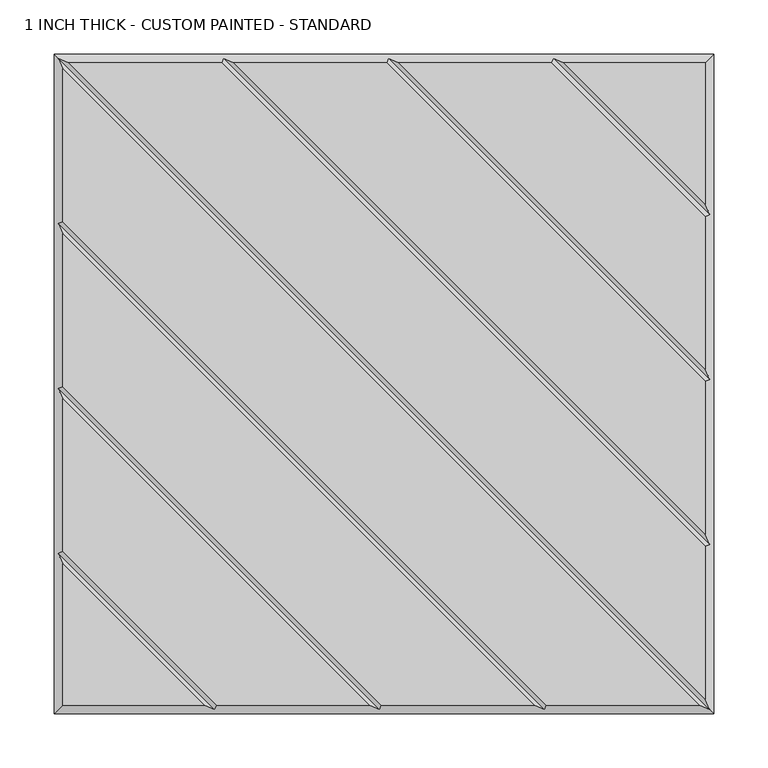
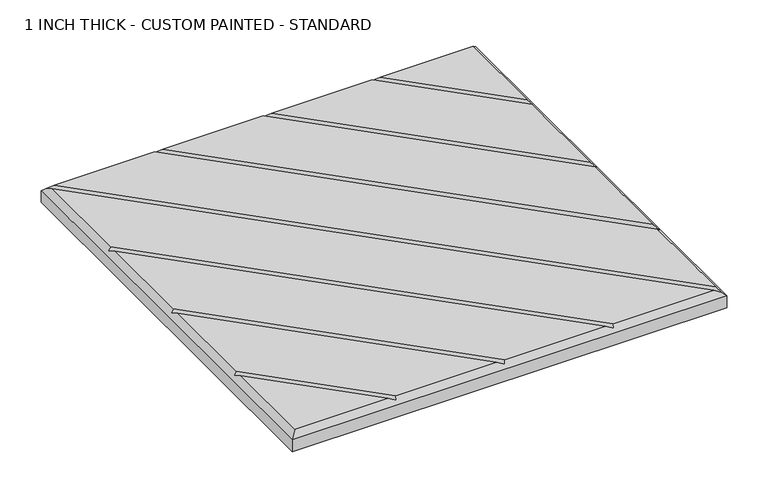
"""IFC4 building model written with IfcOpenShell, lengths in millimetres: proxy geometry, 1 INCH THICK - CUSTOM PAINTED - STANDARD."""

from ifc_helpers import new_model, si_unit, origin, place, context, project, spatial, faceted_brep, source, transform, mapped, element, save


def proxy_1_inch_thick_custom_painted_standard_4958d2f6(model_context):
    return source(origin(), model_context, "Body", "Brep", [
        faceted_brep([(-291.1414386, 296.799, 25.4), (296.799, -291.1414386, 25.4), (296.799, -150.0565868, 25.4), (-150.0565868, 296.799, 25.4), (291.1414386, -296.799, 25.4), (-296.799, 291.1414386, 25.4), (-296.799, 150.0565868, 25.4), (150.0565868, -296.799, 25.4), (138.741464, -296.799, 25.4), (-296.799, 138.741464, 25.4), (-296.799, -2.3434132, 25.4), (-2.3434132, -296.799, 25.4), (-13.658536, -296.799, 25.4), (-296.799, -13.658536, 25.4), (-296.799, -154.7434132, 25.4), (-154.7434132, -296.799, 25.4), (-296.799, -166.058536, 25.4), (-296.799, -296.799, 25.4), (-166.058536, -296.799, 25.4), (-138.741464, 296.799, 25.4), (296.799, -138.741464, 25.4), (296.799, 2.3434132, 25.4), (2.3434132, 296.799, 25.4), (13.658536, 296.799, 25.4), (296.799, 13.658536, 25.4), (296.799, 154.7434132, 25.4), (154.7434132, 296.799, 25.4), (296.799, 296.799, 25.4), (166.058536, 296.799, 25.4), (296.799, 166.058536, 25.4), (-304.8, 304.8, 0.0), (304.8, 304.8, 0.0), (304.8, -304.8, 0.0), (-304.8, -304.8, 0.0), (-304.8, -304.8, 17.399), (-304.8, 304.8, 17.399), (304.8, -304.8, 17.399), (304.8, 304.8, 17.399), (-300.7995, 300.7995, 21.3995), (-148.3995254, 300.7995, 21.3995), (4.0004746, 300.7995, 21.3995), (156.4004746, 300.7995, 21.3995), (-300.7995, -156.4004746, 21.3995), (-300.7995, -4.0004746, 21.3995), (-300.7995, 148.3995254, 21.3995), (300.7995, -300.7995, 21.3995), (148.3995254, -300.7995, 21.3995), (-4.0004746, -300.7995, 21.3995), (-156.4004746, -300.7995, 21.3995), (300.7995, 156.4004746, 21.3995), (300.7995, 4.0004746, 21.3995), (300.7995, -148.3995254, 21.3995)], [[[0, 1, 2, 3]], [[4, 5, 6, 7]], [[8, 9, 10, 11]], [[12, 13, 14, 15]], [[16, 17, 18]], [[19, 20, 21, 22]], [[23, 24, 25, 26]], [[27, 28, 29]], [[30, 31, 32, 33]], [[30, 33, 34, 35]], [[33, 32, 36, 34]], [[32, 31, 37, 36]], [[31, 30, 35, 37]], [[27, 37, 35, 38, 0, 3, 39, 19, 22, 40, 23, 26, 41, 28]], [[34, 17, 16, 42, 14, 13, 43, 10, 9, 44, 6, 5, 38, 35]], [[17, 34, 36, 45, 4, 7, 46, 8, 11, 47, 12, 15, 48, 18]], [[37, 27, 29, 49, 25, 24, 50, 21, 20, 51, 2, 1, 45, 36]], [[38, 45, 1, 0]], [[45, 38, 5, 4]], [[44, 46, 7, 6]], [[46, 44, 9, 8]], [[43, 47, 11, 10]], [[47, 43, 13, 12]], [[42, 48, 15, 14]], [[48, 42, 16, 18]], [[51, 39, 3, 2]], [[39, 51, 20, 19]], [[50, 40, 22, 21]], [[40, 50, 24, 23]], [[49, 41, 26, 25]], [[41, 49, 29, 28]]]),
    ])


if __name__ == "__main__":
    model = new_model("IFC4")
    model_context = context("Model", 3, world=origin())
    ifc_project = project(units=[si_unit("LENGTHUNIT", "METRE", prefix="MILLI")], contexts=[model_context])
    site = spatial("IfcSite", under=ifc_project)
    building = spatial("IfcBuilding", under=site)
    placement = place(None, origin())
    proxy_1_inch_thick_custom_painted_standard_shape = proxy_1_inch_thick_custom_painted_standard_4958d2f6(model_context)
    element("IfcBuildingElementProxy", 1, Name="1 INCH THICK - CUSTOM PAINTED - STANDARD", ObjectType="1 INCH THICK - CUSTOM PAINTED - STANDARD", at=placement, inside=building, context=model_context, shape_type="MappedRepresentation", body=[
        mapped(proxy_1_inch_thick_custom_painted_standard_shape, transform((0.0, 0.0, 0.0), x_axis=(1.0, 0.0, 0.0), y_axis=(0.0, 1.0, 0.0), z_axis=(0.0, 0.0, 1.0))),
    ])
    save(model, "model.ifc")
